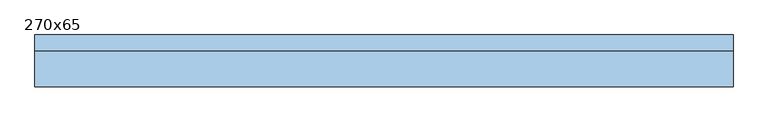
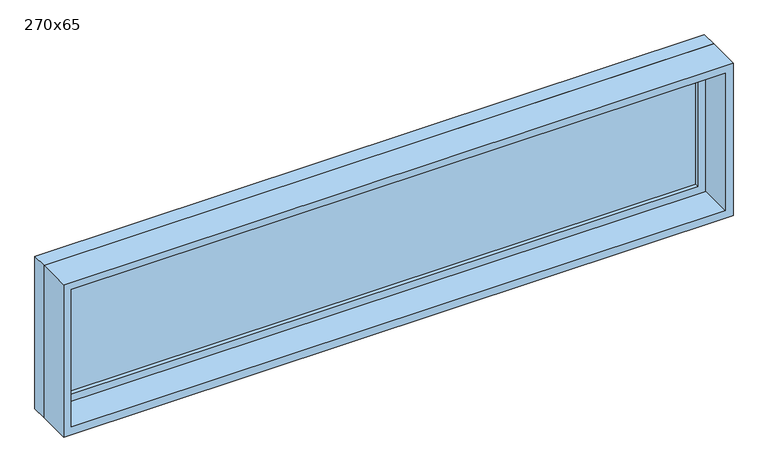
"""IFC4 building model written with IfcOpenShell, lengths in millimetres: window geometry, 270x65."""

from ifc_helpers import new_model, si_unit, frame, origin, place, context, project, spatial, polyline, outline, extrude, source, transform, mapped, element, save


def window_270x65_55ea7d1c(model_context):
    return source(origin(), model_context, "Body", "SweptSolid", [
        extrude(outline(polyline([(1248.4, 52.375), (-1324.6, 52.375), (-1324.6, 65.075), (1248.4, 65.075), (1248.4, 52.375)])), frame((0.0, 0.0, 977.9), z_axis=(0.0, 0.0, 1.0), x_axis=(1.0, 0.0, 0.0)), (0.0, 0.0, 1.0), 523.0),
        extrude(outline(polyline([(1545.35, -1369.05), (933.45, -1369.05), (933.45, 1292.85), (1545.35, 1292.85), (1545.35, -1369.05)]), holes=[polyline([(1500.9, -1324.6), (1500.9, 1248.4), (977.9, 1248.4), (977.9, -1324.6), (1500.9, -1324.6)])]), frame((0.0, 36.5, 0.0), z_axis=(0.0, 1.0, 0.0), x_axis=(0.0, 0.0, 1.0)), (0.0, 0.0, 1.0), 44.45),
        extrude(outline(polyline([(1564.4, -1388.1), (914.4, -1388.1), (914.4, 1311.9), (1564.4, 1311.9), (1564.4, -1388.1)]), holes=[polyline([(1532.65, -1356.35), (1532.65, 1280.15), (946.15, 1280.15), (946.15, -1356.35), (1532.65, -1356.35)])]), frame((0.0, -100.0, 0.0), z_axis=(0.0, 1.0, 0.0), x_axis=(0.0, 0.0, 1.0)), (0.0, 0.0, 1.0), 136.5),
        extrude(outline(polyline([(1564.4, 1311.9), (1564.4, -1388.1), (914.4, -1388.1), (914.4, 1311.9), (1564.4, 1311.9)]), holes=[polyline([(1545.35, 1292.85), (933.45, 1292.85), (933.45, -1369.05), (1545.35, -1369.05), (1545.35, 1292.85)])]), frame((0.0, 36.5, 0.0), z_axis=(0.0, 1.0, 0.0), x_axis=(0.0, 0.0, 1.0)), (0.0, 0.0, 1.0), 63.5),
    ])


if __name__ == "__main__":
    model = new_model("IFC4")
    model_context = context("Model", 3, world=origin())
    ifc_project = project(units=[si_unit("LENGTHUNIT", "METRE", prefix="MILLI")], contexts=[model_context])
    site = spatial("IfcSite", under=ifc_project)
    building = spatial("IfcBuilding", under=site)
    placement = place(None, origin())
    window_270x65_shape = window_270x65_55ea7d1c(model_context)
    element("IfcWindow", 1, ObjectType="270x65", at=placement, inside=building, context=model_context, shape_type="MappedRepresentation", body=[
        mapped(window_270x65_shape, transform((0.0, 0.0, 0.0), x_axis=(1.0, 0.0, 0.0), y_axis=(0.0, 1.0, 0.0), z_axis=(0.0, 0.0, 1.0))),
    ])
    save(model, "model.ifc")
